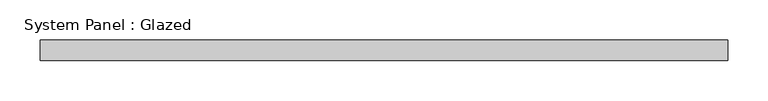
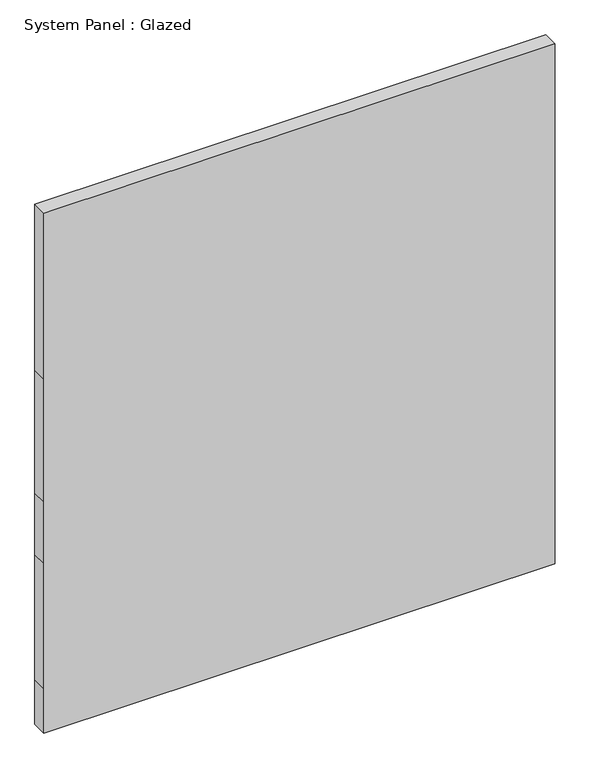
"""IFC4 building model written with IfcOpenShell, lengths in millimetres: plate geometry, System Panel : Glazed."""

import ifcopenshell
import ifcopenshell.guid

model = None  # the IFC model being written
_history = None  # IfcOwnerHistory: only IFC2X3 demands one
_inside = {}  # id of a spatial element -> (the spatial element, [elements in it])
_under = {}  # id of a project, library or spatial element -> (it, [spatial elements below it])
_declared = {}  # id of a project -> (the project, [libraries it declares])
_typed = {}  # id of a type object -> (the type object, [elements of that type])
_made_of = {}  # id of a material, layer set ... -> (it, [elements and type objects made of it])


def new_model(schema):
    """Start an empty IFC model of exactly this schema.

    Asked for "IFC4X3", IfcOpenShell would pick the latest addendum, in which some entities
    have other attributes; the version numbers below select the first issue.
    IFC2X3 requires an IfcOwnerHistory on every rooted entity: one is made here for all.
    """
    global model, _history
    if schema == "IFC4X3":
        model = ifcopenshell.file(schema_version=(4, 3, 0, 0))
    else:
        model = ifcopenshell.file(schema=schema)
    _inside.clear()
    _under.clear()
    _declared.clear()
    _typed.clear()
    _made_of.clear()
    _history = None
    if model.schema == "IFC2X3":
        org = make("IfcOrganization", Name="unknown")
        user = make(
            "IfcPersonAndOrganization",
            ThePerson=make("IfcPerson", FamilyName="unknown"),
            TheOrganization=org,
        )
        app = make(
            "IfcApplication",
            ApplicationDeveloper=org,
            Version="unknown",
            ApplicationFullName="unknown",
            ApplicationIdentifier="unknown",
        )
        _history = make(
            "IfcOwnerHistory",
            OwningUser=user,
            OwningApplication=app,
            ChangeAction="ADDED",
            CreationDate=0,
        )
    return model


def make(cls, **values):
    """One entity of the class cls with the attributes given. An attribute that is None is left unset."""
    return model.create_entity(
        cls, **{name: value for name, value in values.items() if value is not None}
    )


def rooted(cls, **values):
    """An entity with a GlobalId (a new one), such as an element, a storey or a relation."""
    return make(cls, GlobalId=ifcopenshell.guid.new(), OwnerHistory=_history, **values)


def si_unit(unit_type, name, prefix=None):
    """IfcSIUnit, for example si_unit("LENGTHUNIT", "METRE", prefix="MILLI")."""
    return make("IfcSIUnit", UnitType=unit_type, Prefix=prefix, Name=name)


def assignment(units):
    """IfcUnitAssignment: the units of a project."""
    return None if units is None else make("IfcUnitAssignment", Units=units)


def point(xyz):
    """IfcCartesianPoint."""
    return None if xyz is None else make("IfcCartesianPoint", Coordinates=xyz)


def direction(xyz):
    """IfcDirection."""
    return None if xyz is None else make("IfcDirection", DirectionRatios=xyz)


def frame(location, z_axis=None, x_axis=None):
    """IfcAxis2Placement3D, a coordinate frame: its origin and axes. An axis left out is left unset."""
    return make(
        "IfcAxis2Placement3D",
        Location=point(location),
        Axis=direction(z_axis),
        RefDirection=direction(x_axis),
    )


def origin():
    """The frame at (0, 0, 0) with its axes left unset."""
    return frame((0.0, 0.0, 0.0))


def place(relative_to, where):
    """IfcLocalPlacement: puts the frame where relative to a parent placement (None: the world)."""
    return make(
        "IfcLocalPlacement", PlacementRelTo=relative_to, RelativePlacement=where
    )


def context(
    kind, dimensions, precision=None, world=None, true_north=None, identifier=None
):
    """IfcGeometricRepresentationContext, for example the 3D "Model" context."""
    return make(
        "IfcGeometricRepresentationContext",
        ContextIdentifier=identifier,
        ContextType=kind,
        CoordinateSpaceDimension=dimensions,
        Precision=precision,
        WorldCoordinateSystem=world,
        TrueNorth=true_north,
    )


def project(units=None, contexts=None):
    """IfcProject with its units and contexts."""
    return rooted(
        "IfcProject",
        Name="project",
        RepresentationContexts=contexts,
        UnitsInContext=assignment(units),
    )


def spatial(cls, under=None, at=None, **own):
    """A site, building, storey or space (cls), placed at a placement, below another one or the project."""
    s = rooted(cls, ObjectPlacement=at, **own)
    if under is not None:
        _under.setdefault(under.id(), (under, []))[1].append(s)
    return s


def polyline(points):
    """IfcPolyline through the points."""
    return make("IfcPolyline", Points=[point(p) for p in points])


def outline(outer, holes=None, kind="AREA"):
    """IfcArbitraryClosedProfileDef: a profile drawn as a closed curve; with holes, ...WithVoids."""
    if holes is None:
        return make("IfcArbitraryClosedProfileDef", ProfileType=kind, OuterCurve=outer)
    return make(
        "IfcArbitraryProfileDefWithVoids",
        ProfileType=kind,
        OuterCurve=outer,
        InnerCurves=holes,
    )


def extrude(swept, where, along, depth):
    """IfcExtrudedAreaSolid: the profile swept, set in the frame where, extruded along a direction by depth."""
    return make(
        "IfcExtrudedAreaSolid",
        SweptArea=swept,
        Position=where,
        ExtrudedDirection=direction(along),
        Depth=depth,
    )


def shape(context_of_items, identifier, shape_type, items):
    """IfcShapeRepresentation: the items that make up one representation, for example the "Body"."""
    return make(
        "IfcShapeRepresentation",
        ContextOfItems=context_of_items,
        RepresentationIdentifier=identifier,
        RepresentationType=shape_type,
        Items=items,
    )


def source(mapping_origin, context_of_items, identifier, shape_type, items):
    """IfcRepresentationMap: a shape defined once, which mapped items show again and again."""
    return make(
        "IfcRepresentationMap",
        MappingOrigin=mapping_origin,
        MappedRepresentation=shape(context_of_items, identifier, shape_type, items),
    )


def transform(
    local_origin,
    x_axis=None,
    y_axis=None,
    z_axis=None,
    scale=None,
    scale2=None,
    scale3=None,
    uniform=True,
):
    """IfcCartesianTransformationOperator3D, or its non-uniform kind. x_axis, y_axis, z_axis: its Axis1, 2, 3."""
    if uniform:
        return make(
            "IfcCartesianTransformationOperator3D",
            Axis1=direction(x_axis),
            Axis2=direction(y_axis),
            LocalOrigin=point(local_origin),
            Scale=scale,
            Axis3=direction(z_axis),
        )
    return make(
        "IfcCartesianTransformationOperator3DnonUniform",
        Axis1=direction(x_axis),
        Axis2=direction(y_axis),
        LocalOrigin=point(local_origin),
        Scale=scale,
        Axis3=direction(z_axis),
        Scale2=scale2,
        Scale3=scale3,
    )


def mapped(mapping_source, mapping_target):
    """IfcMappedItem: shows the shape of a source again, moved by a transform."""
    return make(
        "IfcMappedItem", MappingSource=mapping_source, MappingTarget=mapping_target
    )


def made_of(thing, what):
    """Note that an element or type object is made of a material, layer set ...; save() writes the relation."""
    if what is not None:
        _made_of.setdefault(what.id(), (what, []))[1].append(thing)
    return thing


def element(
    cls,
    number,
    at=None,
    inside=None,
    cuts=None,
    type_object=None,
    material=None,
    context=None,
    identifier="Body",
    shape_type=None,
    held_by="IfcProductDefinitionShape",
    body=None,
    shapes=None,
    **own,
):
    """One element of the class cls, such as IfcWall. Its Tag is "e" and its number.

    at: its placement. inside: the storey or other place that contains it. cuts: it is an
    opening in that element (IfcRelVoidsElement). A single representation is given by context,
    identifier, shape_type and body (its items); several are given by shapes. held_by: the class
    of the entity that holds the representations. save() writes the other relations.
    """
    e = rooted(cls, Tag="e%d" % number, ObjectPlacement=at, **own)
    if body is not None:
        shapes = [shape(context, identifier, shape_type, body)]
    if shapes is not None:
        e.Representation = make(held_by, Representations=shapes)
    if inside is not None:
        _inside.setdefault(inside.id(), (inside, []))[1].append(e)
    if cuts is not None:
        rooted(
            "IfcRelVoidsElement", RelatingBuildingElement=cuts, RelatedOpeningElement=e
        )
    if type_object is not None:
        _typed.setdefault(type_object.id(), (type_object, []))[1].append(e)
    return made_of(e, material)


def aggregate(whole, parts):
    """IfcRelAggregates: a whole, such as a stair, and the parts it consists of."""
    return rooted("IfcRelAggregates", RelatingObject=whole, RelatedObjects=parts)


def save(model, path):
    """Write the relations noted so far, then the file.

    IfcRelAggregates (storeys below a building ...), IfcRelContainedInSpatialStructure (elements
    in a storey), IfcRelDefinesByType, IfcRelAssociatesMaterial and IfcRelDeclares: one each for
    every whole, place, type object, material and project.
    """
    for whole, parts in _under.values():
        aggregate(whole, parts)
    for where, things in _inside.values():
        rooted(
            "IfcRelContainedInSpatialStructure",
            RelatedElements=things,
            RelatingStructure=where,
        )
    for kind, things in _typed.values():
        rooted("IfcRelDefinesByType", RelatedObjects=things, RelatingType=kind)
    for what, things in _made_of.values():
        rooted("IfcRelAssociatesMaterial", RelatedObjects=things, RelatingMaterial=what)
    for by, libraries in _declared.values():
        rooted("IfcRelDeclares", RelatingContext=by, RelatedDefinitions=libraries)
    model.write(path)


def system_panel_glazed_42adbe09(model_context):
    return source(origin(), model_context, "Body", "SweptSolid", [
        extrude(outline(polyline([(0.0, -425.45), (0.0, 425.45), (78.3166667, 425.45), (298.45, 425.45), (406.4, 425.45), (622.3, 425.45), (914.4, 425.45), (914.4, -425.45), (622.3, -425.45), (406.4, -425.45), (298.45, -425.45), (78.3166667, -425.45), (0.0, -425.45)])), frame((0.0, 19.05, 0.0), z_axis=(0.0, 1.0, 0.0), x_axis=(0.0, 0.0, 1.0)), (0.0, 0.0, 1.0), 25.4),
    ])


if __name__ == "__main__":
    model = new_model("IFC4")
    model_context = context("Model", 3, world=origin())
    ifc_project = project(units=[si_unit("LENGTHUNIT", "METRE", prefix="MILLI")], contexts=[model_context])
    site = spatial("IfcSite", under=ifc_project)
    building = spatial("IfcBuilding", under=site)
    placement = place(None, origin())
    system_panel_glazed_shape = system_panel_glazed_42adbe09(model_context)
    element("IfcPlate", 1, ObjectType="System Panel : Glazed", at=placement, inside=building, context=model_context, shape_type="MappedRepresentation", body=[
        mapped(system_panel_glazed_shape, transform((0.0, 0.0, 0.0), x_axis=(1.0, 0.0, 0.0), y_axis=(0.0, 1.0, 0.0), z_axis=(0.0, 0.0, 1.0))),
    ])
    save(model, "model.ifc")
